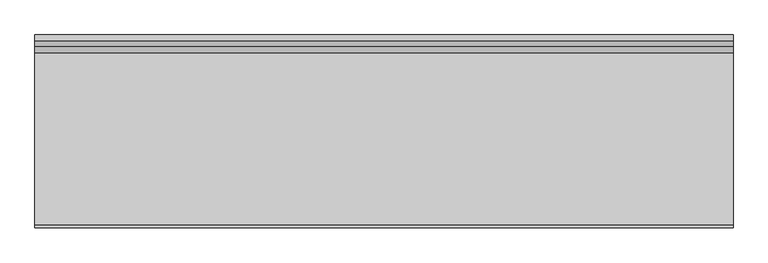
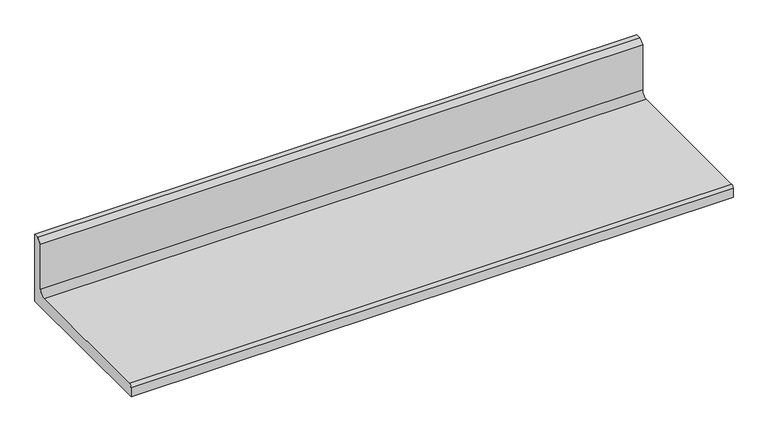
"""IFC4 building model written with IfcOpenShell, lengths in millimetres: furniture geometry."""

from ifc_helpers import new_model, si_unit, point, frame, frame_2d, origin, place, context, project, spatial, polyline, circle_curve, trimmed, segment, composite_curve, outline, extrude, source, transform, mapped, element, save


def furniture_c2a734d0(model_context):
    return source(origin(), model_context, "Body", "SweptSolid", [
        extrude(outline(composite_curve([segment(polyline([(168.529, 1124.00588), (168.529, 980.37396), (-168.529, 980.37396), (-168.529, 1000.18596)]), True, "CONTINUOUS"), segment(trimmed(circle_curve(frame_2d((-162.941, 1000.18596)), 5.588), [point((-168.529, 1000.18596))], [point((-162.941, 1005.77396))], False, "CARTESIAN"), True, "CONTINUOUS"), segment(polyline([(-162.941, 1005.77396), (136.271, 1005.77396)]), True, "CONTINUOUS"), segment(trimmed(circle_curve(frame_2d((136.271, 1018.47396)), 12.7), [point((136.271, 1005.77396))], [point((148.971, 1018.47396))], True, "CARTESIAN"), True, "CONTINUOUS"), segment(polyline([(148.971, 1018.47396), (148.971, 1114.48088), (158.496, 1124.00588), (168.529, 1124.00588)]), True, "CONTINUOUS")], self_intersect=False)), frame((-609.6, 0.0, 0.0), z_axis=(1.0, 0.0, 0.0), x_axis=(0.0, 1.0, 0.0)), (0.0, 0.0, 1.0), 1219.2),
    ])


if __name__ == "__main__":
    model = new_model("IFC4")
    model_context = context("Model", 3, world=origin())
    ifc_project = project(units=[si_unit("LENGTHUNIT", "METRE", prefix="MILLI")], contexts=[model_context])
    site = spatial("IfcSite", under=ifc_project)
    building = spatial("IfcBuilding", under=site)
    placement = place(None, origin())
    furniture_shape = furniture_c2a734d0(model_context)
    element("IfcFurniture", 1, at=placement, inside=building, context=model_context, shape_type="MappedRepresentation", body=[
        mapped(furniture_shape, transform((0.0, 0.0, 0.0), x_axis=(1.0, 0.0, 0.0), y_axis=(0.0, 1.0, 0.0), z_axis=(0.0, 0.0, 1.0))),
    ])
    save(model, "model.ifc")
